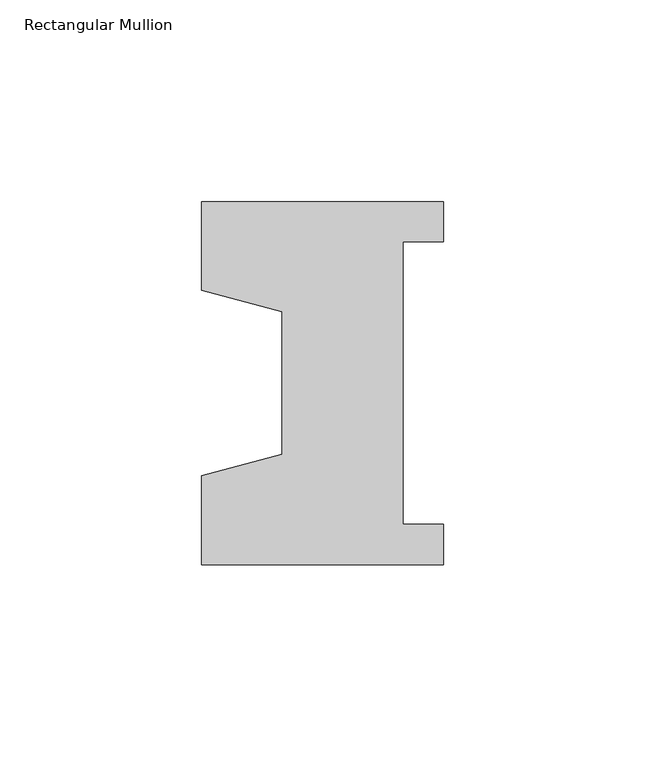
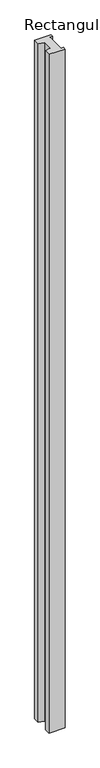
"""IFC4 building model written with IfcOpenShell, lengths in millimetres: member geometry, Rectangular Mullion."""

from ifc_helpers import new_model, si_unit, frame, origin, place, context, project, spatial, polyline, outline, extrude, source, transform, mapped, element, save


def rectangular_mullion_f2aead7b(model_context):
    return source(origin(), model_context, "Body", "SweptSolid", [
        extrude(outline(polyline([(-60.0, 45.0), (0.0, 45.0), (0.0, 35.0), (-10.0, 35.0), (-10.0, -35.0), (0.0, -35.0), (0.0, -45.0), (-60.0, -45.0), (-60.0, -22.9993165), (-40.0, -17.6401049), (-40.0, 17.6401049), (-60.0, 22.9993165), (-60.0, 45.0)])), frame((0.0, 0.0, -2627.0), z_axis=(0.0, 0.0, 1.0), x_axis=(1.0, 0.0, 0.0)), (0.0, 0.0, 1.0), 2627.0),
    ])


if __name__ == "__main__":
    model = new_model("IFC4")
    model_context = context("Model", 3, world=origin())
    ifc_project = project(units=[si_unit("LENGTHUNIT", "METRE", prefix="MILLI")], contexts=[model_context])
    site = spatial("IfcSite", under=ifc_project)
    building = spatial("IfcBuilding", under=site)
    placement = place(None, origin())
    rectangular_mullion_shape = rectangular_mullion_f2aead7b(model_context)
    element("IfcMember", 1, ObjectType="Rectangular Mullion", at=placement, inside=building, context=model_context, shape_type="MappedRepresentation", body=[
        mapped(rectangular_mullion_shape, transform((0.0, 0.0, 0.0), x_axis=(1.0, 0.0, 0.0), y_axis=(0.0, 1.0, 0.0), z_axis=(0.0, 0.0, 1.0))),
    ])
    save(model, "model.ifc")
